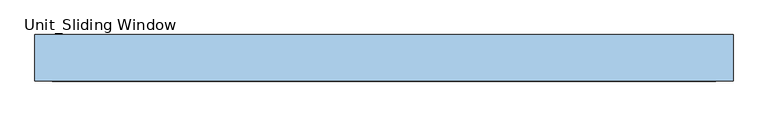
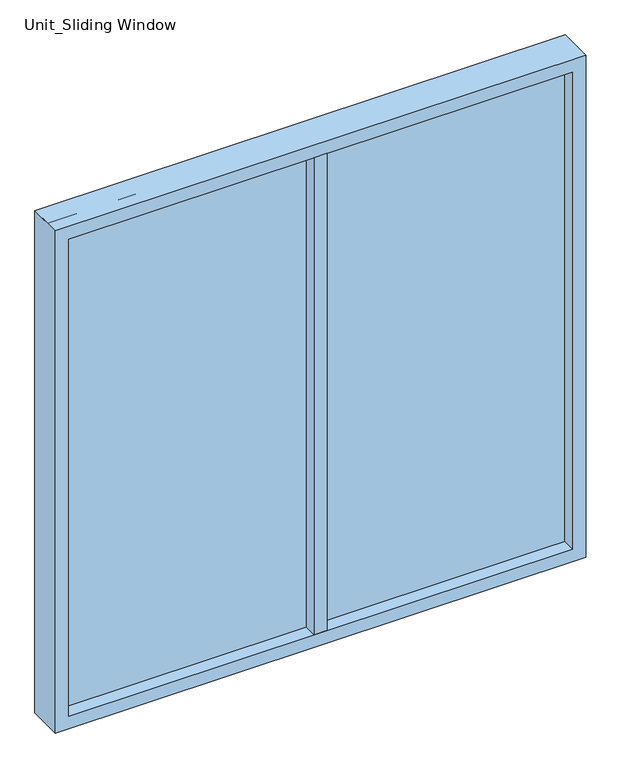
"""IFC4 building model written with IfcOpenShell, lengths in millimetres: window geometry, Unit_Sliding Window."""

from ifc_helpers import new_model, si_unit, frame, origin, place, context, project, spatial, polyline, outline, extrude, source, transform, mapped, element, save


def unit_sliding_window_7ce19199(model_context):
    return source(origin(), model_context, "Body", "SweptSolid", [
        extrude(outline(polyline([(-19.05, 77.7875), (19.05, 77.7875), (19.05, -23.8125), (-19.05, -23.8125), (-19.05, 77.7875)])), frame((0.0, 0.0, 952.5), z_axis=(0.0, 0.0, 1.0), x_axis=(1.0, 0.0, 0.0)), (0.0, 0.0, 1.0), 1447.8),
        extrude(outline(polyline([(2438.4, -762.0), (914.4, -762.0), (914.4, 762.0), (2438.4, 762.0), (2438.4, -762.0)]), holes=[polyline([(2400.3, -723.9), (2400.3, 723.9), (952.5, 723.9), (952.5, -723.9), (2400.3, -723.9)])]), frame((0.0, -23.8125, 0.0), z_axis=(0.0, 1.0, 0.0), x_axis=(0.0, 0.0, 1.0)), (0.0, 0.0, 1.0), 101.6),
        extrude(outline(polyline([(-762.0, 39.6875), (762.0, 39.6875), (762.0, 14.2875), (-762.0, 14.2875), (-762.0, 39.6875)])), frame((0.0, 0.0, 914.4), z_axis=(0.0, 0.0, 1.0), x_axis=(1.0, 0.0, 0.0)), (0.0, 0.0, 1.0), 1524.0),
    ])


if __name__ == "__main__":
    model = new_model("IFC4")
    model_context = context("Model", 3, world=origin())
    ifc_project = project(units=[si_unit("LENGTHUNIT", "METRE", prefix="MILLI")], contexts=[model_context])
    site = spatial("IfcSite", under=ifc_project)
    building = spatial("IfcBuilding", under=site)
    placement = place(None, origin())
    unit_sliding_window_shape = unit_sliding_window_7ce19199(model_context)
    element("IfcWindow", 1, ObjectType="Unit_Sliding Window", at=placement, inside=building, context=model_context, shape_type="MappedRepresentation", body=[
        mapped(unit_sliding_window_shape, transform((0.0, 0.0, 0.0), x_axis=(1.0, 0.0, 0.0), y_axis=(0.0, 1.0, 0.0), z_axis=(0.0, 0.0, 1.0))),
    ])
    save(model, "model.ifc")
